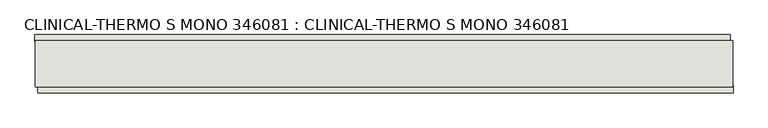
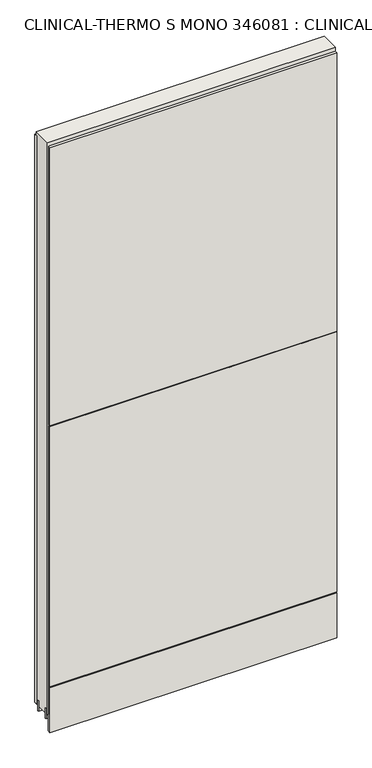
"""IFC4 building model written with IfcOpenShell, lengths in millimetres: wall geometry, CLINICAL-THERMO S MONO 346081 : CLINICAL-THERMO S MONO 346081."""

from ifc_helpers import new_model, si_unit, frame, origin, place, context, project, spatial, polyline, outline, extrude, source, transform, mapped, element, save


def clinical_thermo_s_mono_346081_clinical_thermo_s_mono_346081_9ec94d1f(model_context):
    return source(origin(), model_context, "Body", "SweptSolid", [
        extrude(outline(polyline([(83228.158918, -37797.5831042), (83225.618918, -37797.5831042), (83225.618918, -37795.0431042), (83228.158918, -37795.0431042), (83228.158918, -37797.5831042)])), frame((0.0, 0.0, 4419.6), z_axis=(0.0, 0.0, 1.0), x_axis=(1.0, 0.0, 0.0)), (0.0, 0.0, 1.0), 2.54),
        extrude(outline(polyline([(82008.4920914, -37745.5131042), (83223.6920994, -37745.5131042), (83223.6920994, -37758.2131042), (82008.4920914, -37758.2131042), (82008.4920914, -37745.5131042)])), frame((0.0, 0.0, 4445.0), z_axis=(0.0, 0.0, 1.0), x_axis=(1.0, 0.0, 0.0)), (0.0, 0.0, 1.0), 2545.0498756),
        extrude(outline(polyline([(83228.6282338, -37847.1131042), (82013.4282258, -37847.1131042), (82013.4282258, -37834.4131042), (83228.6282338, -37834.4131042), (83228.6282338, -37847.1131042)])), frame((0.0, 0.0, 4573.9999706), z_axis=(0.0, 0.0, 1.0), x_axis=(1.0, 0.0, 0.0)), (0.0, 0.0, 1.0), 1164.400008),
        extrude(outline(polyline([(83228.6282338, -37847.1131042), (82013.4282258, -37847.1131042), (82013.4282258, -37834.4131042), (83228.6282338, -37834.4131042), (83228.6282338, -37847.1131042)])), frame((0.0, 0.0, 5742.399869), z_axis=(0.0, 0.0, 1.0), x_axis=(1.0, 0.0, 0.0)), (0.0, 0.0, 1.0), 1247.649905),
        extrude(outline(polyline([(83228.6282338, -37847.1131042), (82013.4282258, -37847.1131042), (82013.4282258, -37834.4131042), (83228.6282338, -37834.4131042), (83228.6282338, -37847.1131042)])), frame((0.0, 0.0, 4368.1000014), z_axis=(0.0, 0.0, 1.0), x_axis=(1.0, 0.0, 0.0)), (0.0, 0.0, 1.0), 201.9000026),
        extrude(outline(polyline([(83228.153965, -37771.223162), (82008.953965, -37771.223162), (82008.953965, -37766.1413078), (83228.153965, -37766.1413078), (83228.153965, -37771.223162)])), frame((0.0, 0.0, 4418.6602), z_axis=(0.0, 0.0, 1.0), x_axis=(1.0, 0.0, 0.0)), (0.0, 0.0, 1.0), 47.625),
        extrude(outline(polyline([(83228.153965, -37771.223162), (82008.953965, -37771.223162), (82008.953965, -37766.1413078), (83228.153965, -37766.1413078), (83228.153965, -37771.223162)])), frame((0.0, 0.0, 4418.6602), z_axis=(0.0, 0.0, 1.0), x_axis=(1.0, 0.0, 0.0)), (0.0, 0.0, 1.0), 47.625),
        extrude(outline(polyline([(82008.953965, -37821.3875524), (83228.153965, -37821.3875524), (83228.153965, -37826.4663078), (82008.953965, -37826.4663078), (82008.953965, -37821.3875524)])), frame((0.0, 0.0, 4418.6602), z_axis=(0.0, 0.0, 1.0), x_axis=(1.0, 0.0, 0.0)), (0.0, 0.0, 1.0), 47.625),
        extrude(outline(polyline([(82008.953965, -37821.3875524), (83228.153965, -37821.3875524), (83228.153965, -37826.4663078), (82008.953965, -37826.4663078), (82008.953965, -37821.3875524)])), frame((0.0, 0.0, 4418.6602), z_axis=(0.0, 0.0, 1.0), x_axis=(1.0, 0.0, 0.0)), (0.0, 0.0, 1.0), 47.625),
        extrude(outline(polyline([(83228.153965, -37755.676838), (83228.153965, -37836.9586922), (82008.953965, -37836.9586922), (82008.953965, -37755.676838), (83228.153965, -37755.676838)])), frame((0.0, 0.0, 4445.0), z_axis=(0.0, 0.0, 1.0), x_axis=(1.0, 0.0, 0.0)), (0.0, 0.0, 1.0), 2562.4536762),
    ])


if __name__ == "__main__":
    model = new_model("IFC4")
    model_context = context("Model", 3, world=origin())
    ifc_project = project(units=[si_unit("LENGTHUNIT", "METRE", prefix="MILLI")], contexts=[model_context])
    site = spatial("IfcSite", under=ifc_project)
    building = spatial("IfcBuilding", under=site)
    placement = place(None, origin())
    clinical_thermo_s_mono_346081_clinical_thermo_s_mono_346081_shape = clinical_thermo_s_mono_346081_clinical_thermo_s_mono_346081_9ec94d1f(model_context)
    element("IfcWall", 1, ObjectType="CLINICAL-THERMO S MONO 346081 : CLINICAL-THERMO S MONO 346081", at=placement, inside=building, context=model_context, shape_type="MappedRepresentation", body=[
        mapped(clinical_thermo_s_mono_346081_clinical_thermo_s_mono_346081_shape, transform((0.0, 0.0, 0.0), x_axis=(1.0, 0.0, 0.0), y_axis=(0.0, 1.0, 0.0), z_axis=(0.0, 0.0, 1.0))),
    ])
    save(model, "model.ifc")
